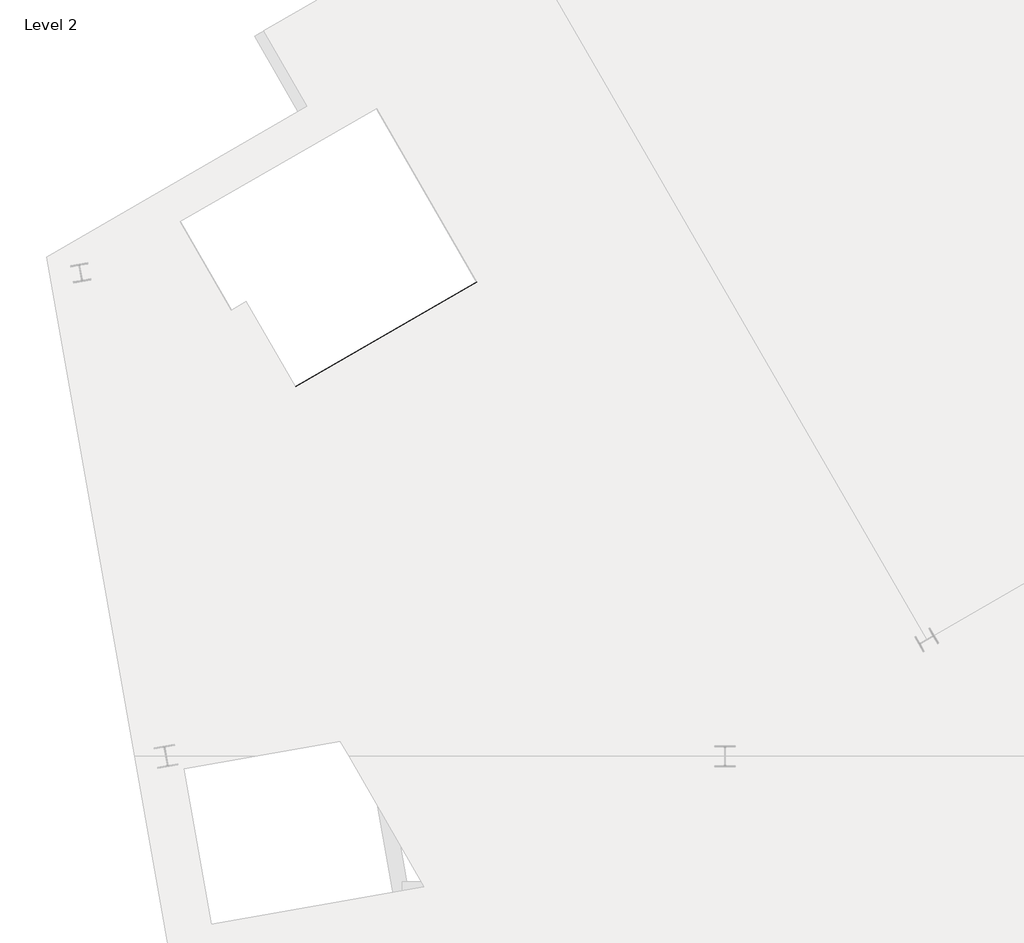
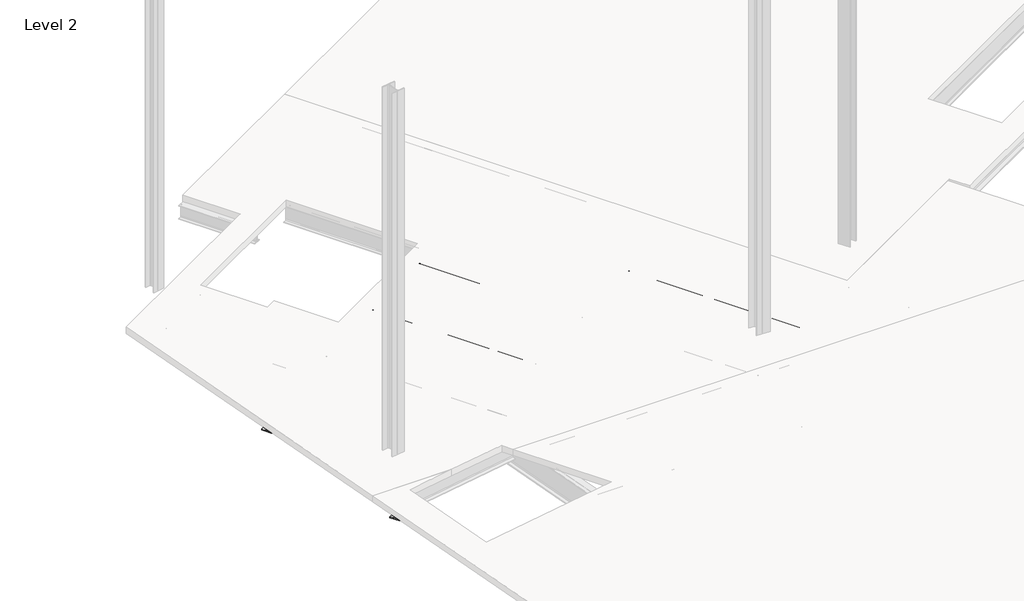
# One storey, part 5 of 14: 5 beams.
"""IFC4 building model written with IfcOpenShell, lengths in millimetres."""

from ifc_helpers import new_model, si_unit, frame, origin, place, context, project, spatial, polyline, circle_curve, ellipse_curve, element, save
from ifc_brep_helpers import plane_surface, revolved_surface, advanced_brep

model = new_model("IFC4")

# Units and contexts
model_context = context("Model", 3, world=origin())
ifc_project = project(units=[si_unit("LENGTHUNIT", "METRE", prefix="MILLI")], contexts=[model_context])

# Site, building, storey
site = spatial("IfcSite", under=ifc_project)
building = spatial("IfcBuilding", under=site)
storey = spatial("IfcBuildingStorey", under=building, Name="Level 2", Elevation=4876.8)

# Beams
placement = place(None, origin())
element("IfcBeam", 1, ObjectType="W-Wide Flange : W16x45", at=placement, inside=storey, context=model_context, shape_type="AdvancedBrep", body=[
    advanced_brep(
    [(2783.7589067, 12389.9659344, 4329.811), (2842.3260397, 12423.7796844, 4329.811), (1038.5057724, 15548.088035, 4329.811), (979.9386394, 15514.274285, 4329.811), (2857.3940157, 12432.4791844, 4347.21), (1053.5737484, 15556.787535, 4347.21), (2803.1015157, 12526.5165529, 4679.442), (2803.1015157, 12526.5165529, 4692.65), (1107.8662484, 15462.7501665, 4692.65), (1107.8662484, 15462.7501665, 4679.442), (1053.5737484, 15556.787535, 4679.442), (2857.3940157, 12432.4791844, 4679.442), (2788.0335397, 12517.8170529, 4710.049), (1092.7982724, 15454.0506665, 4710.049), (2729.4664067, 12484.0033029, 4710.049), (1034.2311394, 15420.2369165, 4710.049), (2729.4664067, 12484.0033029, 4724.4), (1034.2311394, 15420.2369165, 4724.4), (2884.3256053, 12573.4113029, 4724.4), (1189.090338, 15509.6449165, 4724.4), (2884.3256053, 12573.4113029, 4710.049), (1189.090338, 15509.6449165, 4710.049), (2825.7584723, 12539.5975529, 4710.049), (1130.523205, 15475.8311665, 4710.049), (2810.6904963, 12530.8980529, 4692.65), (1115.455229, 15467.1316665, 4692.65), (2810.6904963, 12530.8980529, 4679.442), (2864.9829963, 12436.8606844, 4679.442), (2864.9829963, 12436.8606844, 4347.21), (1061.162729, 15561.169035, 4347.21), (1061.162729, 15561.169035, 4679.442), (1115.455229, 15467.1316665, 4679.442), (2880.0509723, 12445.5601844, 4329.811), (1076.230705, 15569.868535, 4329.811), (2938.6181053, 12479.3739344, 4329.811), (1134.797838, 15603.682285, 4329.811), (2938.6181053, 12479.3739344, 4315.46), (1134.797838, 15603.682285, 4315.46), (2783.7589067, 12389.9659344, 4315.46), (979.9386394, 15514.274285, 4315.46)],
    [
        (0, 1),
        (1, 2),
        (2, 3),
        (3, 0),
        (1, 4, circle_curve(frame((2842.3260397, 12423.7796844, 4347.21), z_axis=(0.499999999999991, -0.8660254037844439, 0.0), x_axis=(0.8660254037844439, 0.499999999999991, 0.0)), 17.399)),
        (4, 5),
        (5, 2, circle_curve(frame((1038.5057724, 15548.088035, 4347.21), z_axis=(-0.499999999999991, 0.8660254037844439, 0.0), x_axis=(0.8660254037844439, 0.499999999999991, 0.0)), 17.399)),
        (6, 7),
        (7, 8),
        (8, 9),
        (9, 10),
        (10, 5),
        (4, 11),
        (11, 6),
        (7, 12, circle_curve(frame((2788.0335397, 12517.8170529, 4692.65), z_axis=(0.499999999999991, -0.8660254037844439, 0.0), x_axis=(0.8660254037844439, 0.499999999999991, 0.0)), 17.399)),
        (12, 13),
        (13, 8, circle_curve(frame((1092.7982724, 15454.0506665, 4692.65), z_axis=(-0.499999999999991, 0.8660254037844439, 0.0), x_axis=(0.8660254037844439, 0.499999999999991, 0.0)), 17.399)),
        (12, 14),
        (14, 15),
        (15, 13),
        (14, 16),
        (16, 17),
        (17, 15),
        (16, 18),
        (18, 19),
        (19, 17),
        (18, 20),
        (20, 21),
        (21, 19),
        (20, 22),
        (22, 23),
        (23, 21),
        (22, 24, circle_curve(frame((2825.7584723, 12539.5975529, 4692.65), z_axis=(0.499999999999991, -0.8660254037844439, 0.0), x_axis=(0.8660254037844439, 0.499999999999991, 0.0)), 17.399)),
        (24, 25),
        (25, 23, circle_curve(frame((1130.523205, 15475.8311665, 4692.65), z_axis=(-0.499999999999991, 0.8660254037844439, 0.0), x_axis=(0.8660254037844439, 0.499999999999991, 0.0)), 17.399)),
        (24, 26),
        (26, 27),
        (27, 28),
        (28, 29),
        (29, 30),
        (30, 31),
        (31, 25),
        (28, 32, circle_curve(frame((2880.0509723, 12445.5601844, 4347.21), z_axis=(0.499999999999991, -0.8660254037844439, 0.0), x_axis=(0.8660254037844439, 0.499999999999991, 0.0)), 17.399)),
        (32, 33),
        (33, 29, circle_curve(frame((1076.230705, 15569.868535, 4347.21), z_axis=(-0.499999999999991, 0.8660254037844439, 0.0), x_axis=(0.8660254037844439, 0.499999999999991, 0.0)), 17.399)),
        (32, 34),
        (34, 35),
        (35, 33),
        (34, 36),
        (36, 37),
        (37, 35),
        (36, 38),
        (38, 39),
        (39, 37),
        (38, 0),
        (3, 39),
        (6, 26),
        (11, 27),
        (10, 30),
        (9, 31),
    ],
    [
        plane_surface(frame((973.5886394, 15525.2728076, 4329.811), z_axis=(0.0, 0.0, 1.0), x_axis=(0.499999999999991, -0.8660254037844439, 0.0))),
        revolved_surface(polyline([(2857.3940156509907, 12432.479184371448, 4347.21), (1053.5737483881826, 15556.787534993178, 4347.21)]), (1032.1557724, 15559.0865576, 4347.21), (0.499999999999991, -0.8660254037844439, 0.0)),
        plane_surface(frame((1047.2237484, 15567.7860576, 4347.21), z_axis=(-0.8660254037844439, -0.499999999999991, 0.0), x_axis=(0.499999999999991, -0.8660254037844439, 0.0))),
        revolved_surface(polyline([(2803.1015156379726, 12526.516552863932, 4692.65), (1107.8662484012007, 15462.750166500695, 4692.65)]), (1032.1557724, 15559.0865576, 4692.65), (0.499999999999991, -0.8660254037844439, 0.0)),
        plane_surface(frame((1032.1557724, 15559.0865576, 4710.049), z_axis=(0.0, 0.0, -1.0), x_axis=(0.499999999999991, -0.8660254037844439, 0.0))),
        plane_surface(frame((973.5886394, 15525.2728076, 4710.049), z_axis=(-0.8660254037844439, -0.499999999999991, 0.0), x_axis=(0.499999999999991, -0.8660254037844439, 0.0))),
        plane_surface(frame((973.5886394, 15525.2728076, 4724.4), z_axis=(0.0, 0.0, 1.0), x_axis=(0.499999999999991, -0.8660254037844439, 0.0))),
        plane_surface(frame((1128.447838, 15614.6808076, 4724.4), z_axis=(0.8660254037844439, 0.499999999999991, 0.0), x_axis=(0.499999999999991, -0.8660254037844439, 0.0))),
        plane_surface(frame((1128.447838, 15614.6808076, 4710.049), z_axis=(0.0, 0.0, -1.0), x_axis=(0.499999999999991, -0.8660254037844439, 0.0))),
        revolved_surface(polyline([(2840.8264482380846, 12548.297052863738, 4692.65), (1145.5911810013124, 15484.530666500501, 4692.65)]), (1069.880705, 15580.8670576, 4692.65), (0.499999999999991, -0.8660254037844439, 0.0)),
        plane_surface(frame((1054.812729, 15572.1675576, 4692.65), z_axis=(0.8660254037844439, 0.499999999999991, 0.0), x_axis=(0.499999999999991, -0.8660254037844439, 0.0))),
        revolved_surface(polyline([(2895.1189482511027, 12454.259684371254, 4347.21), (1091.2986809882943, 15578.568034992984, 4347.21)]), (1069.880705, 15580.8670576, 4347.21), (0.499999999999991, -0.8660254037844439, 0.0)),
        plane_surface(frame((1069.880705, 15580.8670576, 4329.811), z_axis=(0.0, 0.0, 1.0), x_axis=(0.499999999999991, -0.8660254037844439, 0.0))),
        plane_surface(frame((1128.447838, 15614.6808076, 4329.811), z_axis=(0.8660254037844439, 0.499999999999991, 0.0), x_axis=(0.499999999999991, -0.8660254037844439, 0.0))),
        plane_surface(frame((1128.447838, 15614.6808076, 4315.46), z_axis=(0.0, 0.0, -1.0), x_axis=(0.499999999999991, -0.8660254037844439, 0.0))),
        plane_surface(frame((973.5886394, 15525.2728076, 4315.46), z_axis=(-0.8660254037844439, -0.499999999999991, 0.0), x_axis=(0.499999999999991, -0.8660254037844439, 0.0))),
        plane_surface(frame((-1759.5401566, 9892.2741552, 4749.8), z_axis=(0.4999999999999924, -0.8660254037844431, 0.0), x_axis=(0.8660254037844431, 0.4999999999999924, 0.0))),
        plane_surface(frame((-1759.5401566, 9892.2741552, 4679.442), z_axis=(0.0, 0.0, 1.0000000000000002), x_axis=(0.8660254037844431, 0.4999999999999924, 0.0))),
        plane_surface(frame((-1705.2476566, 9798.2367867, 4679.442), z_axis=(0.4999999999999923, -0.8660254037844431, 0.0), x_axis=(0.8660254037844431, 0.4999999999999923, 0.0))),
        plane_surface(frame((-2351.5519762, 13590.8372813, 4157.218), z_axis=(-0.4999999999999921, 0.8660254037844433, 0.0), x_axis=(0.8660254037844433, 0.4999999999999921, 0.0))),
        plane_surface(frame((-2351.5519762, 13590.8372813, 4679.442), z_axis=(0.0, 0.0, 1.0), x_axis=(0.8660254037844433, 0.4999999999999921, 0.0))),
        plane_surface(frame((-2297.2594762, 13496.7999128, 4679.442), z_axis=(-0.4999999999999922, 0.8660254037844433, 0.0), x_axis=(0.8660254037844433, 0.4999999999999922, 0.0))),
    ],
    [
        (0, [[1, 2, 3, 4]]),
        (1, [[5, 6, 7, -2]]),
        (2, [[8, 9, 10, 11, 12, -6, 13, 14]]),
        (3, [[15, 16, 17, -9]]),
        (4, [[18, 19, 20, -16]]),
        (5, [[21, 22, 23, -19]]),
        (6, [[24, 25, 26, -22]]),
        (7, [[27, 28, 29, -25]]),
        (8, [[30, 31, 32, -28]]),
        (9, [[33, 34, 35, -31]]),
        (10, [[36, 37, 38, 39, 40, 41, 42, -34]]),
        (11, [[43, 44, 45, -39]]),
        (12, [[46, 47, 48, -44]]),
        (13, [[49, 50, 51, -47]]),
        (14, [[52, 53, 54, -50]]),
        (15, [[55, -4, 56, -53]]),
        (16, [[57, -36, -33, -30, -27, -24, -21, -18, -15, -8]]),
        (17, [[-57, -14, 58, -37]]),
        (18, [[-58, -13, -5, -1, -55, -52, -49, -46, -43, -38]]),
        (19, [[59, -40, -45, -48, -51, -54, -56, -3, -7, -12]]),
        (20, [[-59, -11, 60, -41]]),
        (21, [[-60, -10, -17, -20, -23, -26, -29, -32, -35, -42]]),
    ],
),
])
element("IfcBeam", 2, ObjectType="W-Wide Flange : W16x45", at=placement, inside=storey, context=model_context, shape_type="AdvancedBrep", body=[
    advanced_brep(
    [(4367.5461651, 13304.3659344, 4329.811), (4426.1132981, 13338.1796844, 4329.811), (2622.2930308, 16462.488035, 4329.811), (2563.7258979, 16428.674285, 4329.811), (4441.1812741, 13346.8791844, 4347.21), (2637.3610068, 16471.187535, 4347.21), (4386.8887741, 13440.9165529, 4679.442), (4386.8887741, 13440.9165529, 4692.65), (2691.6535068, 16377.1501665, 4692.65), (2691.6535068, 16377.1501665, 4679.442), (2637.3610068, 16471.187535, 4679.442), (4441.1812741, 13346.8791844, 4679.442), (4371.8207981, 13432.2170529, 4710.049), (2676.5855308, 16368.4506665, 4710.049), (4313.2536651, 13398.4033029, 4710.049), (2618.0183979, 16334.6369165, 4710.049), (4313.2536651, 13398.4033029, 4724.4), (2618.0183979, 16334.6369165, 4724.4), (4468.1128637, 13487.8113029, 4724.4), (2772.8775965, 16424.0449165, 4724.4), (4468.1128637, 13487.8113029, 4710.049), (2772.8775965, 16424.0449165, 4710.049), (4409.5457307, 13453.9975529, 4710.049), (2714.3104635, 16390.2311665, 4710.049), (4394.4777547, 13445.2980529, 4692.65), (2699.2424875, 16381.5316665, 4692.65), (4394.4777547, 13445.2980529, 4679.442), (4448.7702547, 13351.2606844, 4679.442), (4448.7702547, 13351.2606844, 4347.21), (2644.9499875, 16475.569035, 4347.21), (2644.9499875, 16475.569035, 4679.442), (2699.2424875, 16381.5316665, 4679.442), (4463.8382307, 13359.9601844, 4329.811), (2660.0179635, 16484.268535, 4329.811), (4522.4053637, 13393.7739344, 4329.811), (2718.5850965, 16518.082285, 4329.811), (4522.4053637, 13393.7739344, 4315.46), (2718.5850965, 16518.082285, 4315.46), (4367.5461651, 13304.3659344, 4315.46), (2563.7258979, 16428.674285, 4315.46)],
    [
        (0, 1),
        (1, 2),
        (2, 3),
        (3, 0),
        (1, 4, circle_curve(frame((4426.1132981, 13338.1796844, 4347.21), z_axis=(0.49999999999999095, -0.8660254037844438, 0.0), x_axis=(0.8660254037844438, 0.49999999999999095, 0.0)), 17.399)),
        (4, 5),
        (5, 2, circle_curve(frame((2622.2930308, 16462.488035, 4347.21), z_axis=(-0.49999999999999095, 0.8660254037844438, 0.0), x_axis=(0.8660254037844438, 0.49999999999999095, 0.0)), 17.399)),
        (6, 7),
        (7, 8),
        (8, 9),
        (9, 10),
        (10, 5),
        (4, 11),
        (11, 6),
        (7, 12, circle_curve(frame((4371.8207981, 13432.2170529, 4692.65), z_axis=(0.49999999999999095, -0.8660254037844438, 0.0), x_axis=(0.8660254037844438, 0.49999999999999095, 0.0)), 17.399)),
        (12, 13),
        (13, 8, circle_curve(frame((2676.5855308, 16368.4506665, 4692.65), z_axis=(-0.49999999999999095, 0.8660254037844438, 0.0), x_axis=(0.8660254037844438, 0.49999999999999095, 0.0)), 17.399)),
        (12, 14),
        (14, 15),
        (15, 13),
        (14, 16),
        (16, 17),
        (17, 15),
        (16, 18),
        (18, 19),
        (19, 17),
        (18, 20),
        (20, 21),
        (21, 19),
        (20, 22),
        (22, 23),
        (23, 21),
        (22, 24, circle_curve(frame((4409.5457307, 13453.9975529, 4692.65), z_axis=(0.49999999999999095, -0.8660254037844438, 0.0), x_axis=(0.8660254037844438, 0.49999999999999095, 0.0)), 17.399)),
        (24, 25),
        (25, 23, circle_curve(frame((2714.3104635, 16390.2311665, 4692.65), z_axis=(-0.49999999999999095, 0.8660254037844438, 0.0), x_axis=(0.8660254037844438, 0.49999999999999095, 0.0)), 17.399)),
        (24, 26),
        (26, 27),
        (27, 28),
        (28, 29),
        (29, 30),
        (30, 31),
        (31, 25),
        (28, 32, circle_curve(frame((4463.8382307, 13359.9601844, 4347.21), z_axis=(0.49999999999999095, -0.8660254037844438, 0.0), x_axis=(0.8660254037844438, 0.49999999999999095, 0.0)), 17.399)),
        (32, 33),
        (33, 29, circle_curve(frame((2660.0179635, 16484.268535, 4347.21), z_axis=(-0.49999999999999095, 0.8660254037844438, 0.0), x_axis=(0.8660254037844438, 0.49999999999999095, 0.0)), 17.399)),
        (32, 34),
        (34, 35),
        (35, 33),
        (34, 36),
        (36, 37),
        (37, 35),
        (36, 38),
        (38, 39),
        (39, 37),
        (38, 0),
        (3, 39),
        (6, 26),
        (11, 27),
        (10, 30),
        (9, 31),
    ],
    [
        plane_surface(frame((2557.3758979, 16439.6728076, 4329.811), z_axis=(0.0, 0.0, 1.0), x_axis=(0.49999999999999095, -0.8660254037844438, 0.0))),
        revolved_surface(polyline([(4441.181274050991, 13346.879184371446, 4347.21), (2637.3610067881827, 16471.187534993176, 4347.21)]), (2615.9430308, 16473.4865576, 4347.21), (0.49999999999999095, -0.8660254037844438, 0.0)),
        plane_surface(frame((2631.0110068, 16482.1860576, 4347.21), z_axis=(-0.8660254037844438, -0.49999999999999095, 0.0), x_axis=(0.49999999999999095, -0.8660254037844438, 0.0))),
        revolved_surface(polyline([(4386.888774037972, 13440.916552863931, 4692.65), (2691.6535068012017, 16377.150166500693, 4692.65)]), (2615.9430308, 16473.4865576, 4692.65), (0.49999999999999095, -0.8660254037844438, 0.0)),
        plane_surface(frame((2615.9430308, 16473.4865576, 4710.049), z_axis=(0.0, 0.0, -1.0), x_axis=(0.49999999999999095, -0.8660254037844438, 0.0))),
        plane_surface(frame((2557.3758979, 16439.6728076, 4710.049), z_axis=(-0.8660254037844438, -0.49999999999999095, 0.0), x_axis=(0.49999999999999095, -0.8660254037844438, 0.0))),
        plane_surface(frame((2557.3758979, 16439.6728076, 4724.4), z_axis=(0.0, 0.0, 1.0), x_axis=(0.49999999999999095, -0.8660254037844438, 0.0))),
        plane_surface(frame((2712.2350965, 16529.0808076, 4724.4), z_axis=(0.8660254037844438, 0.49999999999999095, 0.0), x_axis=(0.49999999999999095, -0.8660254037844438, 0.0))),
        plane_surface(frame((2712.2350965, 16529.0808076, 4710.049), z_axis=(0.0, 0.0, -1.0), x_axis=(0.49999999999999095, -0.8660254037844438, 0.0))),
        revolved_surface(polyline([(4424.613706713083, 13462.697052907039, 4692.65), (2729.378439501311, 16398.9306665005, 4692.65)]), (2653.6679635, 16495.2670576, 4692.65), (0.49999999999999095, -0.8660254037844438, 0.0)),
        plane_surface(frame((2638.5999875, 16486.5675576, 4692.65), z_axis=(0.8660254037844438, 0.49999999999999095, 0.0), x_axis=(0.49999999999999095, -0.8660254037844438, 0.0))),
        revolved_surface(polyline([(4478.906206726101, 13368.659684414553, 4347.21), (2675.0859394882937, 16492.96803499298, 4347.21)]), (2653.6679635, 16495.2670576, 4347.21), (0.49999999999999095, -0.8660254037844438, 0.0)),
        plane_surface(frame((2653.6679635, 16495.2670576, 4329.811), z_axis=(0.0, 0.0, 1.0), x_axis=(0.49999999999999095, -0.8660254037844438, 0.0))),
        plane_surface(frame((2712.2350965, 16529.0808076, 4329.811), z_axis=(0.8660254037844438, 0.49999999999999095, 0.0), x_axis=(0.49999999999999095, -0.8660254037844438, 0.0))),
        plane_surface(frame((2712.2350965, 16529.0808076, 4315.46), z_axis=(0.0, 0.0, -1.0), x_axis=(0.49999999999999095, -0.8660254037844438, 0.0))),
        plane_surface(frame((2557.3758979, 16439.6728076, 4315.46), z_axis=(-0.8660254037844438, -0.49999999999999095, 0.0), x_axis=(0.49999999999999095, -0.8660254037844438, 0.0))),
        plane_surface(frame((-1759.5401566, 9892.2741552, 4749.8), z_axis=(0.4999999999999924, -0.8660254037844431, 0.0), x_axis=(0.8660254037844431, 0.4999999999999924, 0.0))),
        plane_surface(frame((-1759.5401566, 9892.2741552, 4679.442), z_axis=(0.0, 0.0, 1.0000000000000002), x_axis=(0.8660254037844431, 0.4999999999999924, 0.0))),
        plane_surface(frame((-1705.2476566, 9798.2367867, 4679.442), z_axis=(0.4999999999999923, -0.8660254037844431, 0.0), x_axis=(0.8660254037844431, 0.4999999999999923, 0.0))),
        plane_surface(frame((-2351.5519762, 13590.8372813, 4157.218), z_axis=(-0.4999999999999921, 0.8660254037844433, 0.0), x_axis=(0.8660254037844433, 0.4999999999999921, 0.0))),
        plane_surface(frame((-2351.5519762, 13590.8372813, 4679.442), z_axis=(0.0, 0.0, 1.0), x_axis=(0.8660254037844433, 0.4999999999999921, 0.0))),
        plane_surface(frame((-2297.2594762, 13496.7999128, 4679.442), z_axis=(-0.4999999999999922, 0.8660254037844433, 0.0), x_axis=(0.8660254037844433, 0.4999999999999922, 0.0))),
    ],
    [
        (0, [[1, 2, 3, 4]]),
        (1, [[5, 6, 7, -2]]),
        (2, [[8, 9, 10, 11, 12, -6, 13, 14]]),
        (3, [[15, 16, 17, -9]]),
        (4, [[18, 19, 20, -16]]),
        (5, [[21, 22, 23, -19]]),
        (6, [[24, 25, 26, -22]]),
        (7, [[27, 28, 29, -25]]),
        (8, [[30, 31, 32, -28]]),
        (9, [[33, 34, 35, -31]]),
        (10, [[36, 37, 38, 39, 40, 41, 42, -34]]),
        (11, [[43, 44, 45, -39]]),
        (12, [[46, 47, 48, -44]]),
        (13, [[49, 50, 51, -47]]),
        (14, [[52, 53, 54, -50]]),
        (15, [[55, -4, 56, -53]]),
        (16, [[57, -36, -33, -30, -27, -24, -21, -18, -15, -8]]),
        (17, [[-57, -14, 58, -37]]),
        (18, [[-58, -13, -5, -1, -55, -52, -49, -46, -43, -38]]),
        (19, [[59, -40, -45, -48, -51, -54, -56, -3, -7, -12]]),
        (20, [[-59, -11, 60, -41]]),
        (21, [[-60, -10, -17, -20, -23, -26, -29, -32, -35, -42]]),
    ],
),
])
element("IfcBeam", 3, ObjectType="W-Wide Flange : W18x50", at=placement, inside=storey, context=model_context, shape_type="AdvancedBrep", body=[
    advanced_brep(
    [(8015.7864977, 10631.3443202, 4281.678), (8079.4129511, 10668.0790702, 4281.678), (6041.2695565, 14198.2469826, 4281.678), (5977.6431031, 14161.5122326, 4281.678), (8094.3709418, 10676.7150702, 4298.95), (6056.2275473, 14206.8829826, 4298.95), (8094.3709418, 10676.7150702, 4683.379), (8044.5869418, 10762.9434876, 4683.379), (8044.5869418, 10762.9434876, 4692.65), (6110.5200473, 14112.8456141, 4692.65), (6110.5200473, 14112.8456141, 4679.442), (6056.2275473, 14206.8829826, 4679.442), (8029.6289511, 10754.3074876, 4709.922), (6095.5620565, 14104.2096141, 4709.922), (7966.0024977, 10717.5727376, 4709.922), (6031.9356031, 14067.4748641, 4709.922), (7966.0024977, 10717.5727376, 4724.4), (6031.9356031, 14067.4748641, 4724.4), (8130.9803371, 10812.8227376, 4724.4), (6196.9134426, 14162.7248641, 4724.4), (8130.9803371, 10812.8227376, 4709.922), (6196.9134426, 14162.7248641, 4709.922), (8067.3538837, 10776.0879876, 4709.922), (6133.2869892, 14125.9901141, 4709.922), (8052.3958929, 10767.4519876, 4692.65), (6118.3289984, 14117.3541141, 4692.65), (8102.1798929, 10681.2235702, 4683.379), (8102.1798929, 10681.2235702, 4298.95), (6064.0364984, 14211.3914826, 4298.95), (6064.0364984, 14211.3914826, 4679.442), (6118.3289984, 14117.3541141, 4679.442), (8052.3958929, 10767.4519876, 4683.379), (8117.1378837, 10689.8595702, 4281.678), (6078.9944892, 14220.0274826, 4281.678), (8180.7643371, 10726.5943202, 4281.678), (6142.6209426, 14256.7622326, 4281.678), (8180.7643371, 10726.5943202, 4267.2), (6142.6209426, 14256.7622326, 4267.2), (8015.7864977, 10631.3443202, 4267.2), (5977.6431031, 14161.5122326, 4267.2)],
    [
        (0, 1),
        (1, 2),
        (2, 3),
        (3, 0),
        (1, 4, circle_curve(frame((8079.4129511, 10668.0790702, 4298.95), z_axis=(0.49999999999999095, -0.8660254037844439, 0.0), x_axis=(0.8660254037844439, 0.49999999999999095, 0.0)), 17.272)),
        (4, 5),
        (5, 2, circle_curve(frame((6041.2695565, 14198.2469826, 4298.95), z_axis=(-0.49999999999999095, 0.8660254037844439, 0.0), x_axis=(0.8660254037844439, 0.49999999999999095, 0.0)), 17.272)),
        (4, 6),
        (6, 7),
        (7, 8),
        (8, 9),
        (9, 10),
        (10, 11),
        (11, 5),
        (8, 12, circle_curve(frame((8029.6289511, 10754.3074876, 4692.65), z_axis=(0.49999999999999095, -0.8660254037844439, 0.0), x_axis=(0.8660254037844439, 0.49999999999999095, 0.0)), 17.272)),
        (12, 13),
        (13, 9, circle_curve(frame((6095.5620565, 14104.2096141, 4692.65), z_axis=(-0.49999999999999095, 0.8660254037844439, 0.0), x_axis=(0.8660254037844439, 0.49999999999999095, 0.0)), 17.272)),
        (12, 14),
        (14, 15),
        (15, 13),
        (14, 16),
        (16, 17),
        (17, 15),
        (16, 18),
        (18, 19),
        (19, 17),
        (18, 20),
        (20, 21),
        (21, 19),
        (20, 22),
        (22, 23),
        (23, 21),
        (22, 24, circle_curve(frame((8067.3538837, 10776.0879876, 4692.65), z_axis=(0.49999999999999095, -0.8660254037844439, 0.0), x_axis=(0.8660254037844439, 0.49999999999999095, 0.0)), 17.272)),
        (24, 25),
        (25, 23, circle_curve(frame((6133.2869892, 14125.9901141, 4692.65), z_axis=(-0.49999999999999095, 0.8660254037844439, 0.0), x_axis=(0.8660254037844439, 0.49999999999999095, 0.0)), 17.272)),
        (26, 27),
        (27, 28),
        (28, 29),
        (29, 30),
        (30, 25),
        (24, 31),
        (31, 26),
        (27, 32, circle_curve(frame((8117.1378837, 10689.8595702, 4298.95), z_axis=(0.49999999999999095, -0.8660254037844439, 0.0), x_axis=(0.8660254037844439, 0.49999999999999095, 0.0)), 17.272)),
        (32, 33),
        (33, 28, circle_curve(frame((6078.9944892, 14220.0274826, 4298.95), z_axis=(-0.49999999999999095, 0.8660254037844439, 0.0), x_axis=(0.8660254037844439, 0.49999999999999095, 0.0)), 17.272)),
        (32, 34),
        (34, 35),
        (35, 33),
        (34, 36),
        (36, 37),
        (37, 35),
        (36, 38),
        (38, 39),
        (39, 37),
        (38, 0),
        (3, 39),
        (26, 6),
        (31, 7),
        (11, 29),
        (10, 30),
    ],
    [
        plane_surface(frame((5971.2931031, 14172.5107552, 4281.678), z_axis=(0.0, 0.0, 1.0), x_axis=(0.49999999999999095, -0.8660254037844439, 0.0))),
        revolved_surface(polyline([(8094.370941793516, 10676.715070153437, 4298.95), (6056.227547262013, 14206.882982592984, 4298.95)]), (6034.9195565, 14209.2455052, 4298.95), (0.49999999999999095, -0.8660254037844439, 0.0)),
        plane_surface(frame((6049.8775473, 14217.8815052, 4298.95), z_axis=(-0.8660254037844439, -0.49999999999999095, 0.0), x_axis=(0.49999999999999095, -0.8660254037844439, 0.0))),
        revolved_surface(polyline([(8044.586941795253, 10762.94348755444, 4692.65), (6110.520047275031, 14112.8456141005, 4692.65)]), (6034.9195565, 14209.2455052, 4692.65), (0.49999999999999095, -0.8660254037844439, 0.0)),
        plane_surface(frame((6034.9195565, 14209.2455052, 4709.922), z_axis=(0.0, 0.0, -1.0), x_axis=(0.49999999999999095, -0.8660254037844439, 0.0))),
        plane_surface(frame((5971.2931031, 14172.5107552, 4709.922), z_axis=(-0.8660254037844439, -0.49999999999999095, 0.0), x_axis=(0.49999999999999095, -0.8660254037844439, 0.0))),
        plane_surface(frame((5971.2931031, 14172.5107552, 4724.4), z_axis=(0.0, 0.0, 1.0), x_axis=(0.49999999999999095, -0.8660254037844439, 0.0))),
        plane_surface(frame((6136.2709426, 14267.7607552, 4724.4), z_axis=(0.8660254037844439, 0.49999999999999095, 0.0), x_axis=(0.49999999999999095, -0.8660254037844439, 0.0))),
        plane_surface(frame((6136.2709426, 14267.7607552, 4709.922), z_axis=(0.0, 0.0, -1.0), x_axis=(0.49999999999999095, -0.8660254037844439, 0.0))),
        revolved_surface(polyline([(8082.3118744702515, 10784.723987597741, 4692.65), (6148.244979968572, 14134.626114111688, 4692.65)]), (6072.6444892, 14231.0260052, 4692.65), (0.49999999999999095, -0.8660254037844439, 0.0)),
        plane_surface(frame((6057.6864984, 14222.3900052, 4692.65), z_axis=(0.8660254037844439, 0.49999999999999095, 0.0), x_axis=(0.49999999999999095, -0.8660254037844439, 0.0))),
        revolved_surface(polyline([(8132.095874468515, 10698.49557019674, 4298.95), (6093.952479955554, 14228.663482604172, 4298.95)]), (6072.6444892, 14231.0260052, 4298.95), (0.49999999999999095, -0.8660254037844439, 0.0)),
        plane_surface(frame((6072.6444892, 14231.0260052, 4281.678), z_axis=(0.0, 0.0, 1.0), x_axis=(0.49999999999999095, -0.8660254037844439, 0.0))),
        plane_surface(frame((6136.2709426, 14267.7607552, 4281.678), z_axis=(0.8660254037844439, 0.49999999999999095, 0.0), x_axis=(0.49999999999999095, -0.8660254037844439, 0.0))),
        plane_surface(frame((6136.2709426, 14267.7607552, 4267.2), z_axis=(0.0, 0.0, -1.0), x_axis=(0.49999999999999095, -0.8660254037844439, 0.0))),
        plane_surface(frame((5971.2931031, 14172.5107552, 4267.2), z_axis=(-0.8660254037844439, -0.49999999999999095, 0.0), x_axis=(0.49999999999999095, -0.8660254037844439, 0.0))),
        plane_surface(frame((9403.1134398, 11432.3179037, 4232.021), z_axis=(0.4999999999999924, -0.866025403784443, 0.0), x_axis=(-0.866025403784443, -0.4999999999999924, 0.0))),
        plane_surface(frame((9403.1134398, 11432.3179037, 4683.379), z_axis=(0.0, 0.0, 1.0), x_axis=(-0.8660254037844433, -0.49999999999999195, 0.0))),
        plane_surface(frame((9353.3294398, 11518.5463211, 4683.379), z_axis=(0.4999999999999925, -0.8660254037844429, 0.0), x_axis=(-0.8660254037844429, -0.4999999999999925, 0.0))),
        plane_surface(frame((-1673.8786566, 9743.9040849, 4157.218), z_axis=(-0.4999999999999922, 0.8660254037844433, 0.0), x_axis=(0.8660254037844433, 0.4999999999999922, 0.0))),
        plane_surface(frame((-1673.8786566, 9743.9040849, 4679.442), z_axis=(0.0, 0.0, 1.0000000000000002), x_axis=(0.8660254037844433, 0.4999999999999922, 0.0))),
        plane_surface(frame((-1619.5861566, 9649.8667164, 4679.442), z_axis=(-0.49999999999999206, 0.8660254037844433, 0.0), x_axis=(0.8660254037844433, 0.49999999999999206, 0.0))),
    ],
    [
        (0, [[1, 2, 3, 4]]),
        (1, [[5, 6, 7, -2]]),
        (2, [[8, 9, 10, 11, 12, 13, 14, -6]]),
        (3, [[15, 16, 17, -11]]),
        (4, [[18, 19, 20, -16]]),
        (5, [[21, 22, 23, -19]]),
        (6, [[24, 25, 26, -22]]),
        (7, [[27, 28, 29, -25]]),
        (8, [[30, 31, 32, -28]]),
        (9, [[33, 34, 35, -31]]),
        (10, [[36, 37, 38, 39, 40, -34, 41, 42]]),
        (11, [[43, 44, 45, -37]]),
        (12, [[46, 47, 48, -44]]),
        (13, [[49, 50, 51, -47]]),
        (14, [[52, 53, 54, -50]]),
        (15, [[55, -4, 56, -53]]),
        (16, [[57, -8, -5, -1, -55, -52, -49, -46, -43, -36]]),
        (17, [[-57, -42, 58, -9]]),
        (18, [[-58, -41, -33, -30, -27, -24, -21, -18, -15, -10]]),
        (19, [[59, -38, -45, -48, -51, -54, -56, -3, -7, -14]]),
        (20, [[-59, -13, 60, -39]]),
        (21, [[-60, -12, -17, -20, -23, -26, -29, -32, -35, -40]]),
    ],
),
])
element("IfcBeam", 4, ObjectType="W-Wide Flange : W24x84", at=placement, inside=storey, context=model_context, shape_type="AdvancedBrep", body=[
    advanced_brep(
    [(-1724.8431113, 9882.9771099, 4131.818), (-1724.8431113, 9882.9771099, 4112.26), (-1610.2891113, 9684.5637617, 4112.26), (-1610.2891113, 9684.5637617, 4131.818), (-1652.9293613, 9758.4188411, 4131.818), (-1664.5816113, 9778.6011302, 4155.1225), (-1664.5816113, 9778.6011302, 4681.5375), (-1652.9293613, 9758.4188411, 4704.842), (-1610.2891113, 9684.5637617, 4704.842), (-1610.2891113, 9684.5637617, 4724.4), (-1724.8431113, 9882.9771099, 4724.4), (-1724.8431113, 9882.9771099, 4704.842), (-1682.2028613, 9809.1220305, 4704.842), (-1670.5506113, 9788.9397414, 4681.5375), (-1670.5506113, 9788.9397414, 4155.1225), (-1682.2028613, 9809.1220305, 4131.818), (7337.7283816, 15016.7817617, 4131.818), (7295.0881316, 15090.6368411, 4131.818), (7349.3806316, 14996.5994726, 4155.1225), (7349.3806316, 14996.5994726, 4681.5375), (7349.3806316, 14996.5994726, 4679.442), (7443.4180001, 15050.8919726, 4679.442), (7443.4180001, 15050.8919726, 4157.218), (7349.3806316, 14996.5994726, 4157.218), (7337.7283816, 15016.7817617, 4704.842), (7295.0881316, 15090.6368411, 4704.842), (7295.0881316, 15090.6368411, 4724.4), (7409.6421316, 14892.2234929, 4724.4), (7409.6421316, 14892.2234929, 4704.842), (7367.0018816, 14966.0785723, 4704.842), (7355.3496316, 14986.2608614, 4681.5375), (7355.3496316, 14986.2608614, 4155.1225), (7355.3496316, 14986.2608614, 4157.218), (7449.3870001, 15040.5533614, 4157.218), (7449.3870001, 15040.5533614, 4679.442), (7355.3496316, 14986.2608614, 4679.442), (7367.0018816, 14966.0785723, 4131.818), (7409.6421316, 14892.2234929, 4131.818), (7409.6421316, 14892.2234929, 4112.26), (7295.0881316, 15090.6368411, 4112.26)],
    [
        (0, 1),
        (1, 2),
        (2, 3),
        (3, 4),
        (4, 5, circle_curve(frame((-1652.9293613, 9758.4188411, 4155.1225), z_axis=(0.8660254037844431, 0.49999999999999223, 0.0), x_axis=(0.49999999999999223, -0.8660254037844431, 0.0)), 23.3045)),
        (5, 6),
        (6, 7, circle_curve(frame((-1652.9293613, 9758.4188411, 4681.5375), z_axis=(0.8660254037844431, 0.49999999999999223, 0.0), x_axis=(0.49999999999999223, -0.8660254037844431, 0.0)), 23.3045)),
        (7, 8),
        (8, 9),
        (9, 10),
        (10, 11),
        (11, 12),
        (12, 13, circle_curve(frame((-1682.2028613, 9809.1220305, 4681.5375), z_axis=(0.8660254037844431, 0.49999999999999223, 0.0), x_axis=(0.49999999999999223, -0.8660254037844431, 0.0)), 23.3045)),
        (13, 14),
        (14, 15, circle_curve(frame((-1682.2028613, 9809.1220305, 4155.1225), z_axis=(0.8660254037844431, 0.49999999999999223, 0.0), x_axis=(0.49999999999999223, -0.8660254037844431, 0.0)), 23.3045)),
        (15, 0),
        (15, 16),
        (16, 17),
        (17, 0),
        (14, 18),
        (18, 16, circle_curve(frame((7337.7283816, 15016.7817617, 4155.1225), z_axis=(0.8660254037844431, 0.49999999999999223, 0.0), x_axis=(0.49999999999999223, -0.8660254037844431, 0.0)), 23.3045)),
        (13, 19),
        (19, 20),
        (20, 21),
        (21, 22),
        (22, 23),
        (23, 18),
        (12, 24),
        (24, 19, circle_curve(frame((7337.7283816, 15016.7817617, 4681.5375), z_axis=(0.8660254037844431, 0.49999999999999223, 0.0), x_axis=(0.49999999999999223, -0.8660254037844431, 0.0)), 23.3045)),
        (11, 25),
        (25, 24),
        (10, 26),
        (26, 25),
        (9, 27),
        (27, 26),
        (8, 28),
        (28, 27),
        (7, 29),
        (29, 28),
        (6, 30),
        (30, 29, circle_curve(frame((7367.0018816, 14966.0785723, 4681.5375), z_axis=(0.8660254037844431, 0.49999999999999223, 0.0), x_axis=(0.49999999999999223, -0.8660254037844431, 0.0)), 23.3045)),
        (5, 31),
        (31, 32),
        (32, 33),
        (33, 34),
        (34, 35),
        (35, 30),
        (4, 36),
        (36, 31, circle_curve(frame((7367.0018816, 14966.0785723, 4155.1225), z_axis=(0.8660254037844431, 0.49999999999999223, 0.0), x_axis=(0.49999999999999223, -0.8660254037844431, 0.0)), 23.3045)),
        (3, 37),
        (37, 36),
        (2, 38),
        (38, 37),
        (1, 39),
        (39, 38),
        (17, 39),
        (22, 33),
        (32, 23),
        (35, 20),
        (34, 21),
    ],
    [
        plane_surface(frame((-1667.5661113, 9783.7704358, 4418.33), z_axis=(-0.8660254037844431, -0.49999999999999223, 0.0), x_axis=(0.0, 0.0, 1.0))),
        plane_surface(frame((7400.1240227, 15151.2793411, 4131.818), z_axis=(0.0, 0.0, 1.0), x_axis=(-0.8660254037844431, -0.49999999999999223, 0.0))),
        revolved_surface(polyline([(-1670.550611350326, 9788.939741487171, 4155.1225), (7349.3806316005, 14996.599472676638, 4155.1225)]), (7442.7642727, 15077.4242617, 4155.1225), (-0.8660254037844431, -0.49999999999999223, 0.0)),
        plane_surface(frame((7454.4165227, 15057.2419726, 4155.1225), z_axis=(-0.49999999999999223, 0.8660254037844431, 0.0), x_axis=(-0.8660254037844431, -0.49999999999999223, 0.0))),
        revolved_surface(polyline([(-1670.550611350326, 9788.939741487171, 4681.5375), (7349.3806316005, 14996.599472676638, 4681.5375)]), (7442.7642727, 15077.4242617, 4681.5375), (-0.8660254037844431, -0.49999999999999223, 0.0)),
        plane_surface(frame((7442.7642727, 15077.4242617, 4704.842), z_axis=(0.0, 0.0, -1.0), x_axis=(-0.8660254037844431, -0.49999999999999223, 0.0))),
        plane_surface(frame((7400.1240227, 15151.2793411, 4704.842), z_axis=(-0.49999999999999223, 0.8660254037844431, 0.0), x_axis=(-0.8660254037844431, -0.49999999999999223, 0.0))),
        plane_surface(frame((7400.1240227, 15151.2793411, 4724.4), z_axis=(0.0, 0.0, 1.0), x_axis=(-0.8660254037844431, -0.49999999999999223, 0.0))),
        plane_surface(frame((7514.6780227, 14952.8659929, 4724.4), z_axis=(0.49999999999999223, -0.8660254037844431, 0.0), x_axis=(-0.8660254037844431, -0.49999999999999223, 0.0))),
        plane_surface(frame((7514.6780227, 14952.8659929, 4704.842), z_axis=(0.0, 0.0, -1.0), x_axis=(-0.8660254037844431, -0.49999999999999223, 0.0))),
        revolved_surface(polyline([(-1641.2771113167682, 9738.236552106548, 4681.5375), (7378.654131634061, 14945.896283296017, 4681.5375)]), (7472.0377727, 15026.7210723, 4681.5375), (-0.8660254037844431, -0.49999999999999223, 0.0)),
        plane_surface(frame((7460.3855227, 15046.9033614, 4681.5375), z_axis=(0.49999999999999223, -0.8660254037844431, 0.0), x_axis=(-0.8660254037844431, -0.49999999999999223, 0.0))),
        revolved_surface(polyline([(-1641.2771113167682, 9738.236552106548, 4155.1225), (7378.654131634061, 14945.896283296017, 4155.1225)]), (7472.0377727, 15026.7210723, 4155.1225), (-0.8660254037844431, -0.49999999999999223, 0.0)),
        plane_surface(frame((7472.0377727, 15026.7210723, 4131.818), z_axis=(0.0, 0.0, 1.0), x_axis=(-0.8660254037844431, -0.49999999999999223, 0.0))),
        plane_surface(frame((7514.6780227, 14952.8659929, 4131.818), z_axis=(0.49999999999999223, -0.8660254037844431, 0.0), x_axis=(-0.8660254037844431, -0.49999999999999223, 0.0))),
        plane_surface(frame((7514.6780227, 14952.8659929, 4112.26), z_axis=(0.0, 0.0, -1.0), x_axis=(-0.8660254037844431, -0.49999999999999223, 0.0))),
        plane_surface(frame((7400.1240227, 15151.2793411, 4112.26), z_axis=(-0.49999999999999223, 0.8660254037844431, 0.0), x_axis=(-0.8660254037844431, -0.49999999999999223, 0.0))),
        plane_surface(frame((9519.0898946, 11455.7227915, 4157.218), z_axis=(0.0, 0.0, -1.0), x_axis=(-0.49999999999999095, 0.8660254037844438, 0.0))),
        plane_surface(frame((9425.0525261, 11401.4302915, 4157.218), z_axis=(0.8660254037844439, 0.49999999999999095, 0.0), x_axis=(-0.49999999999999095, 0.8660254037844439, 0.0))),
        plane_surface(frame((9425.0525261, 11401.4302915, 4749.8), z_axis=(0.8660254037844439, 0.49999999999999095, 0.0), x_axis=(-0.49999999999999095, 0.8660254037844439, 0.0))),
        plane_surface(frame((9425.0525261, 11401.4302915, 4679.442), z_axis=(0.0, 0.0, 1.0), x_axis=(-0.49999999999999095, 0.8660254037844439, 0.0))),
        plane_surface(frame((9519.0898946, 11455.7227915, 4679.442), z_axis=(0.8660254037844438, 0.49999999999999095, 0.0), x_axis=(-0.49999999999999095, 0.8660254037844438, 0.0))),
    ],
    [
        (0, [[1, 2, 3, 4, 5, 6, 7, 8, 9, 10, 11, 12, 13, 14, 15, 16]]),
        (1, [[-16, 17, 18, 19]]),
        (2, [[-15, 20, 21, -17]]),
        (3, [[-14, 22, 23, 24, 25, 26, 27, -20]]),
        (4, [[-13, 28, 29, -22]]),
        (5, [[-12, 30, 31, -28]]),
        (6, [[-11, 32, 33, -30]]),
        (7, [[-10, 34, 35, -32]]),
        (8, [[-9, 36, 37, -34]]),
        (9, [[-8, 38, 39, -36]]),
        (10, [[-7, 40, 41, -38]]),
        (11, [[-6, 42, 43, 44, 45, 46, 47, -40]]),
        (12, [[-5, 48, 49, -42]]),
        (13, [[-4, 50, 51, -48]]),
        (14, [[-3, 52, 53, -50]]),
        (15, [[-2, 54, 55, -52]]),
        (16, [[-1, -19, 56, -54]]),
        (17, [[57, -44, 58, -26]]),
        (18, [[-58, -43, -49, -51, -53, -55, -56, -18, -21, -27]]),
        (19, [[59, -23, -29, -31, -33, -35, -37, -39, -41, -47]]),
        (20, [[-59, -46, 60, -24]]),
        (21, [[-57, -25, -60, -45]]),
    ],
),
])
element("IfcBeam", 5, ObjectType="W-Wide Flange : W24x84", at=placement, inside=storey, context=model_context, shape_type="AdvancedBrep", body=[
    advanced_brep(
    [(-2287.9624309, 13531.4969581, 4112.26), (-2287.9624309, 13531.4969581, 4131.818), (-2330.6026809, 13605.3520375, 4131.818), (-2342.2549309, 13625.5343265, 4155.1225), (-2342.2549309, 13625.5343265, 4680.077), (-2348.2239309, 13635.8729378, 4680.077), (-2348.2239309, 13635.8729378, 4155.1225), (-2359.8761809, 13656.0552268, 4131.818), (-2382.8305967, 13695.8134411, 4131.818), (-2382.8305967, 13695.8134411, 4112.26), (5502.5391144, 18195.422814, 4131.818), (5459.8988644, 18269.2778935, 4131.818), (-2390.1061869, 13737.075364, 4131.818), (5514.1913644, 18175.240525, 4155.1225), (-2258.7318047, 13687.541241, 4680.077), (-2258.7318047, 13687.541241, 4681.5375), (5514.1913644, 18175.240525, 4681.5375), (5514.1913644, 18175.240525, 4679.442), (5608.2287328, 18229.533025, 4679.442), (5608.2287328, 18229.533025, 4157.218), (5514.1913644, 18175.240525, 4157.218), (5502.5391144, 18195.422814, 4704.842), (-2263.0383022, 13711.9646022, 4704.842), (5459.8988644, 18269.2778935, 4704.842), (-2278.7975017, 13801.3394634, 4704.842), (5459.8988644, 18269.2778935, 4724.4), (-2278.7975017, 13801.3394634, 4724.4), (5574.4528644, 18070.8645453, 4724.4), (-2236.4600545, 13561.231869, 4724.4), (5574.4528644, 18070.8645453, 4704.842), (-2236.4600545, 13561.231869, 4704.842), (5531.8126144, 18144.7196247, 4704.842), (-2252.2192539, 13650.6067302, 4704.842), (5520.1603644, 18164.9019137, 4681.5375), (-2256.5257515, 13675.0300914, 4681.5375), (5520.1603644, 18164.9019137, 4155.1225), (5520.1603644, 18164.9019137, 4157.218), (5614.1977328, 18219.1944137, 4157.218), (5614.1977328, 18219.1944137, 4679.442), (5520.1603644, 18164.9019137, 4679.442), (-2256.5257515, 13675.0300914, 4680.077), (5531.8126144, 18144.7196247, 4131.818), (5574.4528644, 18070.8645453, 4131.818), (5574.4528644, 18070.8645453, 4112.26), (-2390.1061869, 13737.075364, 4112.26), (5459.8988644, 18269.2778935, 4112.26)],
    [
        (0, 1),
        (1, 2),
        (2, 3, circle_curve(frame((-2330.6026809, 13605.3520375, 4155.1225), z_axis=(0.8660254037844431, 0.49999999999999223, 0.0), x_axis=(0.49999999999999223, -0.8660254037844431, 0.0)), 23.3045)),
        (3, 4),
        (4, 5),
        (5, 6),
        (6, 7, circle_curve(frame((-2359.8761809, 13656.0552268, 4155.1225), z_axis=(0.8660254037844431, 0.49999999999999223, 0.0), x_axis=(0.49999999999999223, -0.8660254037844431, 0.0)), 23.3045)),
        (7, 8),
        (8, 9),
        (9, 0),
        (7, 10),
        (10, 11),
        (11, 12),
        (12, 8),
        (6, 13),
        (13, 10, circle_curve(frame((5502.5391144, 18195.422814, 4155.1225), z_axis=(0.8660254037844431, 0.49999999999999223, 0.0), x_axis=(0.49999999999999223, -0.8660254037844431, 0.0)), 23.3045)),
        (5, 14),
        (14, 15),
        (15, 16),
        (16, 17),
        (17, 18),
        (18, 19),
        (19, 20),
        (20, 13),
        (21, 16, circle_curve(frame((5502.5391144, 18195.422814, 4681.5375), z_axis=(0.8660254037844431, 0.49999999999999223, 0.0), x_axis=(0.49999999999999223, -0.8660254037844431, 0.0)), 23.3045)),
        (15, 22, ellipse_curve(frame((-2263.0383022, 13711.9646022, 4681.5375), z_axis=(-0.9848077530122095, -0.17364817766692223, 0.0), x_axis=(0.1736481776669221, -0.9848077530122095, 0.0)), 24.8001309, 23.3045)),
        (22, 21),
        (23, 21),
        (22, 24),
        (24, 23),
        (25, 23),
        (24, 26),
        (26, 25),
        (27, 25),
        (26, 28),
        (28, 27),
        (29, 27),
        (28, 30),
        (30, 29),
        (31, 29),
        (30, 32),
        (32, 31),
        (33, 31, circle_curve(frame((5531.8126144, 18144.7196247, 4681.5375), z_axis=(0.8660254037844431, 0.49999999999999223, 0.0), x_axis=(0.49999999999999223, -0.8660254037844431, 0.0)), 23.3045)),
        (32, 34, ellipse_curve(frame((-2252.2192539, 13650.6067302, 4681.5375), z_axis=(-0.9848077530122095, -0.17364817766692223, 0.0), x_axis=(0.1736481776669221, -0.9848077530122095, 0.0)), 24.8001309, 23.3045)),
        (34, 33),
        (3, 35),
        (35, 36),
        (36, 37),
        (37, 38),
        (38, 39),
        (39, 33),
        (34, 40),
        (40, 4),
        (2, 41),
        (41, 35, circle_curve(frame((5531.8126144, 18144.7196247, 4155.1225), z_axis=(0.8660254037844431, 0.49999999999999223, 0.0), x_axis=(0.49999999999999223, -0.8660254037844431, 0.0)), 23.3045)),
        (1, 42),
        (42, 41),
        (0, 43),
        (43, 42),
        (9, 44),
        (44, 45),
        (45, 43),
        (11, 45),
        (44, 12),
        (19, 37),
        (36, 20),
        (39, 17),
        (38, 18),
        (40, 14),
    ],
    [
        plane_surface(frame((-2345.2394309, 13630.7036322, 4418.33), z_axis=(-0.8660254037844431, -0.49999999999999223, 0.0), x_axis=(0.0, 0.0, 1.0))),
        plane_surface(frame((5564.9347555, 18329.9203935, 4131.818), z_axis=(0.0, 0.0, 1.0), x_axis=(-0.8660254037844431, -0.49999999999999223, 0.0))),
        revolved_surface(polyline([(-2348.223930889977, 13635.872937760145, 4155.1225), (5514.1913644102415, 18175.240524982262, 4155.1225)]), (5607.5750055, 18256.065314, 4155.1225), (-0.8660254037844431, -0.49999999999999223, 0.0)),
        plane_surface(frame((5619.2272555, 18235.883025, 4155.1225), z_axis=(-0.49999999999999223, 0.8660254037844431, 0.0), x_axis=(-0.8660254037844431, -0.49999999999999223, 0.0))),
        revolved_surface(polyline([(-2258.7318046594173, 13687.54124092971, 4681.5375), (5514.1913644102415, 18175.240524982262, 4681.5375)]), (5607.5750055, 18256.065314, 4681.5375), (-0.8660254037844431, -0.49999999999999223, 0.0)),
        plane_surface(frame((5607.5750055, 18256.065314, 4704.842), z_axis=(0.0, 0.0, -1.0), x_axis=(-0.8660254037844431, -0.49999999999999223, 0.0))),
        plane_surface(frame((5564.9347555, 18329.9203935, 4704.842), z_axis=(-0.49999999999999223, 0.8660254037844431, 0.0), x_axis=(-0.8660254037844431, -0.49999999999999223, 0.0))),
        plane_surface(frame((5564.9347555, 18329.9203935, 4724.4), z_axis=(0.0, 0.0, 1.0), x_axis=(-0.8660254037844431, -0.49999999999999223, 0.0))),
        plane_surface(frame((5679.4887555, 18131.5070453, 4724.4), z_axis=(0.49999999999999223, -0.8660254037844431, 0.0), x_axis=(-0.8660254037844431, -0.49999999999999223, 0.0))),
        plane_surface(frame((5679.4887555, 18131.5070453, 4704.842), z_axis=(0.0, 0.0, -1.0), x_axis=(-0.8660254037844431, -0.49999999999999223, 0.0))),
        revolved_surface(polyline([(-2247.912756344588, 13626.18336898153, 4681.5375), (5543.4648644005, 18124.53733567664, 4681.5375)]), (5636.8485055, 18205.3621247, 4681.5375), (-0.8660254037844431, -0.49999999999999223, 0.0)),
        plane_surface(frame((5625.1962555, 18225.5444137, 4681.5375), z_axis=(0.49999999999999223, -0.8660254037844431, 0.0), x_axis=(-0.8660254037844431, -0.49999999999999223, 0.0))),
        revolved_surface(polyline([(-2318.9504308997184, 13585.169748454522, 4155.1225), (5543.4648644005, 18124.53733567664, 4155.1225)]), (5636.8485055, 18205.3621247, 4155.1225), (-0.8660254037844431, -0.49999999999999223, 0.0)),
        plane_surface(frame((5636.8485055, 18205.3621247, 4131.818), z_axis=(0.0, 0.0, 1.0), x_axis=(-0.8660254037844431, -0.49999999999999223, 0.0))),
        plane_surface(frame((5679.4887555, 18131.5070453, 4131.818), z_axis=(0.49999999999999223, -0.8660254037844431, 0.0), x_axis=(-0.8660254037844431, -0.49999999999999223, 0.0))),
        plane_surface(frame((5679.4887555, 18131.5070453, 4112.26), z_axis=(0.0, 0.0, -1.0), x_axis=(-0.8660254037844431, -0.49999999999999223, 0.0))),
        plane_surface(frame((5564.9347555, 18329.9203935, 4112.26), z_axis=(-0.49999999999999223, 0.8660254037844431, 0.0), x_axis=(-0.8660254037844431, -0.49999999999999223, 0.0))),
        plane_surface(frame((9519.0898946, 11455.7227915, 4157.218), z_axis=(0.0, 0.0, -1.0), x_axis=(-0.49999999999999095, 0.8660254037844438, 0.0))),
        plane_surface(frame((9425.0525261, 11401.4302915, 4157.218), z_axis=(0.8660254037844439, 0.49999999999999095, 0.0), x_axis=(-0.49999999999999095, 0.8660254037844439, 0.0))),
        plane_surface(frame((9425.0525261, 11401.4302915, 4749.8), z_axis=(0.8660254037844439, 0.49999999999999095, 0.0), x_axis=(-0.49999999999999095, 0.8660254037844439, 0.0))),
        plane_surface(frame((9425.0525261, 11401.4302915, 4679.442), z_axis=(0.0, 0.0, 1.0), x_axis=(-0.49999999999999095, 0.8660254037844439, 0.0))),
        plane_surface(frame((9519.0898946, 11455.7227915, 4679.442), z_axis=(0.8660254037844438, 0.49999999999999095, 0.0), x_axis=(-0.49999999999999095, 0.8660254037844438, 0.0))),
        plane_surface(frame((-1717.3495776, 9921.6830363, 4085.463), z_axis=(-0.9848077530122095, -0.17364817766692223, 0.0), x_axis=(-0.17364817766692223, 0.9848077530122095, 0.0))),
        plane_surface(frame((-1717.3495776, 9921.6830363, 4680.077), z_axis=(0.0, 0.0, 1.0), x_axis=(-0.17364817766692214, 0.9848077530122095, 0.0))),
        plane_surface(frame((-1598.4074516, 9942.6557423, 4680.077), z_axis=(-0.9848077530122095, -0.17364817766692223, 0.0), x_axis=(-0.17364817766692223, 0.9848077530122095, 0.0))),
    ],
    [
        (0, [[1, 2, 3, 4, 5, 6, 7, 8, 9, 10]]),
        (1, [[11, 12, 13, 14, -8]]),
        (2, [[-7, 15, 16, -11]]),
        (3, [[-15, -6, 17, 18, 19, 20, 21, 22, 23, 24]]),
        (4, [[25, -19, 26, 27]]),
        (5, [[28, -27, 29, 30]]),
        (6, [[31, -30, 32, 33]]),
        (7, [[34, -33, 35, 36]]),
        (8, [[37, -36, 38, 39]]),
        (9, [[40, -39, 41, 42]]),
        (10, [[43, -42, 44, 45]]),
        (11, [[46, 47, 48, 49, 50, 51, -45, 52, 53, -4]]),
        (12, [[-3, 54, 55, -46]]),
        (13, [[-2, 56, 57, -54]]),
        (14, [[-1, 58, 59, -56]]),
        (15, [[-58, -10, 60, 61, 62]]),
        (16, [[63, -61, 64, -13]]),
        (17, [[65, -48, 66, -23]]),
        (18, [[-66, -47, -55, -57, -59, -62, -63, -12, -16, -24]]),
        (19, [[67, -20, -25, -28, -31, -34, -37, -40, -43, -51]]),
        (20, [[-67, -50, 68, -21]]),
        (21, [[-65, -22, -68, -49]]),
        (22, [[-9, -14, -64, -60]]),
        (23, [[69, -17, -5, -53]]),
        (24, [[-69, -52, -44, -41, -38, -35, -32, -29, -26, -18]]),
    ],
),
])

save(model, "model.ifc")
